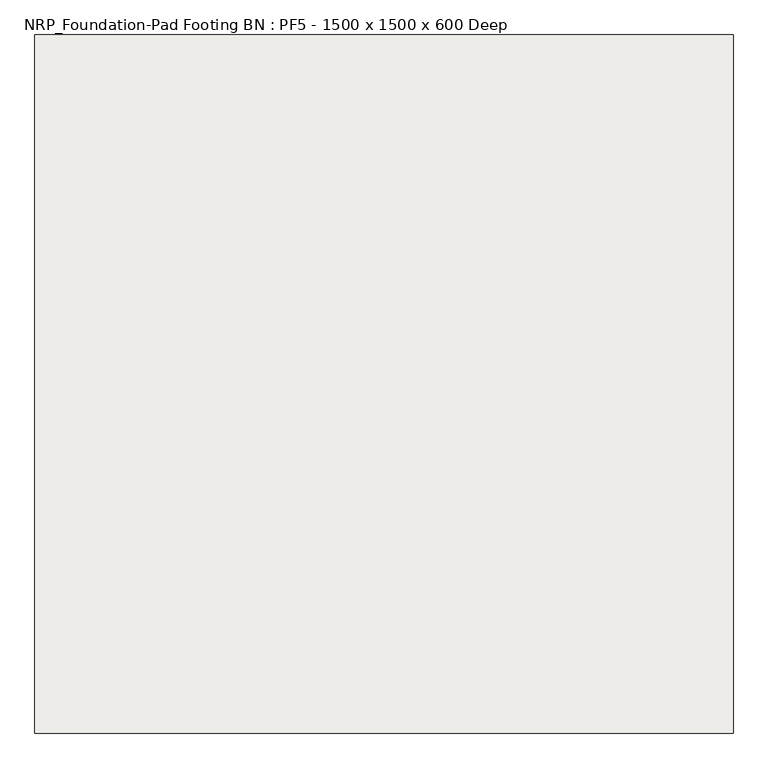
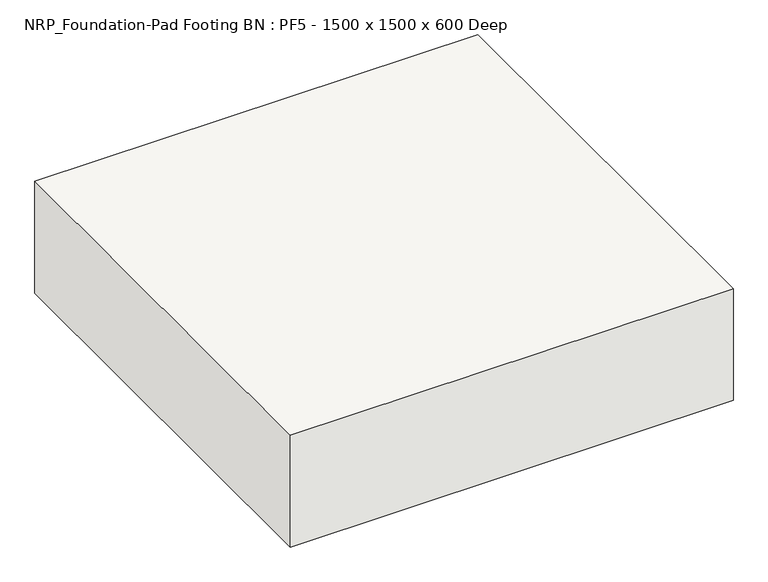
"""IFC4 building model written with IfcOpenShell, lengths in millimetres: slab geometry, NRP_Foundation-Pad Footing BN : PF5 - 1500 x 1500 x 600 Deep."""

from ifc_helpers import new_model, si_unit, frame, origin, place, context, project, spatial, polyline, outline, extrude, source, transform, mapped, element, save


def nrp_foundation_pad_footing_bn_pf5_1500_x_1500_x_600_deep_9b624da0(model_context):
    return source(origin(), model_context, "Body", "SweptSolid", [
        extrude(outline(polyline([(800.0, 400.0), (800.0, -1100.0), (-700.0, -1100.0), (-700.0, 400.0), (800.0, 400.0)])), frame((0.0, 0.0, -400.0), z_axis=(0.0, 0.0, 1.0), x_axis=(1.0, 0.0, 0.0)), (0.0, 0.0, 1.0), 400.0),
    ])


if __name__ == "__main__":
    model = new_model("IFC4")
    model_context = context("Model", 3, world=origin())
    ifc_project = project(units=[si_unit("LENGTHUNIT", "METRE", prefix="MILLI")], contexts=[model_context])
    site = spatial("IfcSite", under=ifc_project)
    building = spatial("IfcBuilding", under=site)
    placement = place(None, origin())
    nrp_foundation_pad_footing_bn_pf5_1500_x_1500_x_600_deep_shape = nrp_foundation_pad_footing_bn_pf5_1500_x_1500_x_600_deep_9b624da0(model_context)
    element("IfcSlab", 1, ObjectType="NRP_Foundation-Pad Footing BN : PF5 - 1500 x 1500 x 600 Deep", at=placement, inside=building, context=model_context, shape_type="MappedRepresentation", body=[
        mapped(nrp_foundation_pad_footing_bn_pf5_1500_x_1500_x_600_deep_shape, transform((0.0, 0.0, 0.0), x_axis=(1.0, 0.0, 0.0), y_axis=(0.0, 1.0, 0.0), z_axis=(0.0, 0.0, 1.0))),
    ])
    save(model, "model.ifc")
